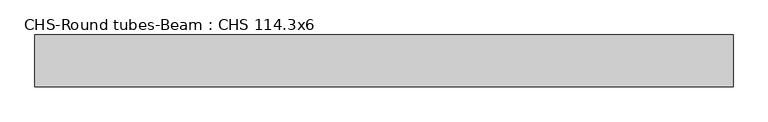
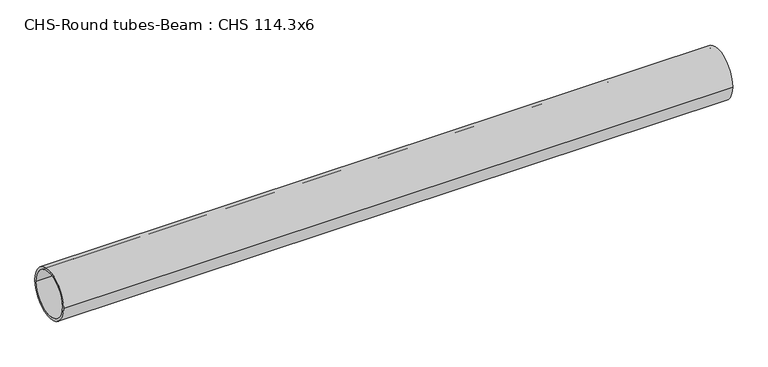
"""IFC4 building model written with IfcOpenShell, lengths in millimetres: beam geometry, CHS-Round tubes-Beam : CHS 114.3x6."""

from ifc_helpers import new_model, si_unit, point, frame, origin, origin_2d, place, context, project, spatial, circle_curve, trimmed, segment, composite_curve, outline, extrude, source, transform, mapped, element, save


def chs_round_tubes_beam_chs_114_3x6_3aba0173(model_context):
    return source(origin(), model_context, "Body", "SweptSolid", [
        extrude(outline(composite_curve([segment(trimmed(circle_curve(origin_2d(), 57.15), [point((57.15, 0.0))], [point((-57.15, 0.0))], False, "CARTESIAN"), True, "CONTINUOUS"), segment(trimmed(circle_curve(origin_2d(), 57.15), [point((-57.15, 0.0))], [point((57.15, 0.0))], False, "CARTESIAN"), True, "CONTINUOUS")], self_intersect=False), holes=[composite_curve([segment(trimmed(circle_curve(origin_2d(), 51.15), [point((51.15, 0.0))], [point((-51.15, 0.0))], True, "CARTESIAN"), True, "CONTINUOUS"), segment(trimmed(circle_curve(origin_2d(), 51.15), [point((-51.15, 0.0))], [point((51.15, 0.0))], True, "CARTESIAN"), True, "CONTINUOUS")], self_intersect=False)]), frame((-756.2826072, 0.0, 0.0), z_axis=(1.0, 0.0, 0.0), x_axis=(0.0, 1.0, 0.0)), (0.0, 0.0, 1.0), 1535.3928028),
    ])


if __name__ == "__main__":
    model = new_model("IFC4")
    model_context = context("Model", 3, world=origin())
    ifc_project = project(units=[si_unit("LENGTHUNIT", "METRE", prefix="MILLI")], contexts=[model_context])
    site = spatial("IfcSite", under=ifc_project)
    building = spatial("IfcBuilding", under=site)
    placement = place(None, origin())
    chs_round_tubes_beam_chs_114_3x6_shape = chs_round_tubes_beam_chs_114_3x6_3aba0173(model_context)
    element("IfcBeam", 1, ObjectType="CHS-Round tubes-Beam : CHS 114.3x6", at=placement, inside=building, context=model_context, shape_type="MappedRepresentation", body=[
        mapped(chs_round_tubes_beam_chs_114_3x6_shape, transform((0.0, 0.0, 0.0), x_axis=(1.0, 0.0, 0.0), y_axis=(0.0, 1.0, 0.0), z_axis=(0.0, 0.0, 1.0))),
    ])
    save(model, "model.ifc")
